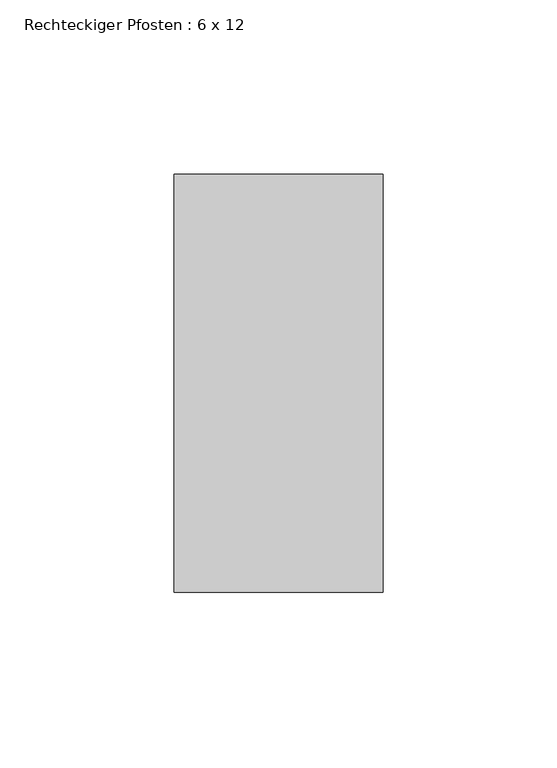
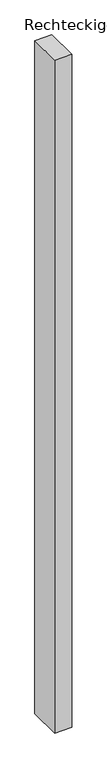
"""IFC4 building model written with IfcOpenShell, lengths in millimetres: member geometry, Rechteckiger Pfosten : 6 x 12."""

from ifc_helpers import new_model, si_unit, frame, origin, place, context, project, spatial, polyline, outline, extrude, source, transform, mapped, element, save


def rechteckiger_pfosten_6_x_12_548635bc(model_context):
    return source(origin(), model_context, "Body", "SweptSolid", [
        extrude(outline(polyline([(30.0, 60.0), (30.0, -60.0), (-30.0, -60.0), (-30.0, 60.0), (30.0, 60.0)])), frame((0.0, 0.0, -2500.0), z_axis=(0.0, 0.0, 1.0), x_axis=(1.0, 0.0, 0.0)), (0.0, 0.0, 1.0), 2500.0),
    ])


if __name__ == "__main__":
    model = new_model("IFC4")
    model_context = context("Model", 3, world=origin())
    ifc_project = project(units=[si_unit("LENGTHUNIT", "METRE", prefix="MILLI")], contexts=[model_context])
    site = spatial("IfcSite", under=ifc_project)
    building = spatial("IfcBuilding", under=site)
    placement = place(None, origin())
    rechteckiger_pfosten_6_x_12_shape = rechteckiger_pfosten_6_x_12_548635bc(model_context)
    element("IfcMember", 1, ObjectType="Rechteckiger Pfosten : 6 x 12", at=placement, inside=building, context=model_context, shape_type="MappedRepresentation", body=[
        mapped(rechteckiger_pfosten_6_x_12_shape, transform((0.0, 0.0, 0.0), x_axis=(1.0, 0.0, 0.0), y_axis=(0.0, 1.0, 0.0), z_axis=(0.0, 0.0, 1.0))),
    ])
    save(model, "model.ifc")
